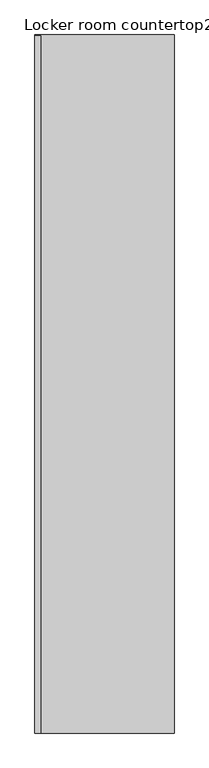
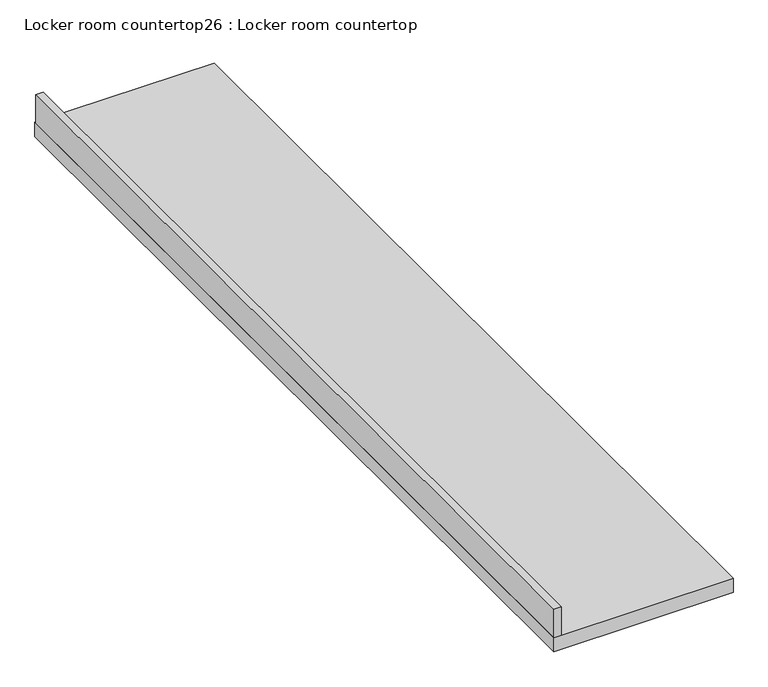
"""IFC4 building model written with IfcOpenShell, lengths in millimetres: furniture geometry, Locker room countertop26 : Locker room countertop."""

from ifc_helpers import new_model, si_unit, frame, origin, place, context, project, spatial, polyline, outline, extrude, source, transform, mapped, element, save


def locker_room_countertop26_locker_room_countertop_9ff236c2(model_context):
    return source(origin(), model_context, "Body", "SweptSolid", [
        extrude(outline(polyline([(276044.5388325, -260836.2726459), (276019.1388325, -260836.2726459), (276019.1388325, -257781.286468), (276044.5388325, -257781.286468), (276044.5388325, -260836.2726459)])), frame((0.0, 0.0, 914.4), z_axis=(0.0, 0.0, 1.0), x_axis=(1.0, 0.0, 0.0)), (0.0, 0.0, 1.0), 101.6),
        extrude(outline(polyline([(276628.7388325, -260836.2726459), (276019.1388325, -260836.2726459), (276019.1388325, -257777.0990176), (276628.7388325, -257777.0990176), (276628.7388325, -260836.2726459)])), frame((0.0, 0.0, 863.6), z_axis=(0.0, 0.0, 1.0), x_axis=(1.0, 0.0, 0.0)), (0.0, 0.0, 1.0), 50.8),
    ])


if __name__ == "__main__":
    model = new_model("IFC4")
    model_context = context("Model", 3, world=origin())
    ifc_project = project(units=[si_unit("LENGTHUNIT", "METRE", prefix="MILLI")], contexts=[model_context])
    site = spatial("IfcSite", under=ifc_project)
    building = spatial("IfcBuilding", under=site)
    placement = place(None, origin())
    locker_room_countertop26_locker_room_countertop_shape = locker_room_countertop26_locker_room_countertop_9ff236c2(model_context)
    element("IfcFurniture", 1, ObjectType="Locker room countertop26 : Locker room countertop", at=placement, inside=building, context=model_context, shape_type="MappedRepresentation", body=[
        mapped(locker_room_countertop26_locker_room_countertop_shape, transform((0.0, 0.0, 0.0), x_axis=(1.0, 0.0, 0.0), y_axis=(0.0, 1.0, 0.0), z_axis=(0.0, 0.0, 1.0))),
    ])
    save(model, "model.ifc")
